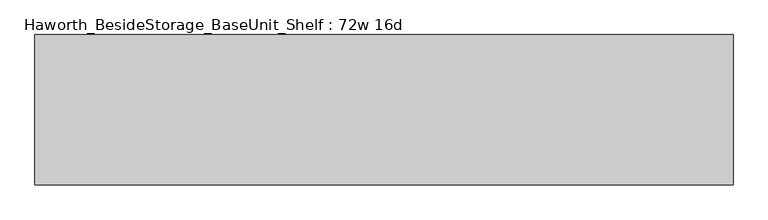
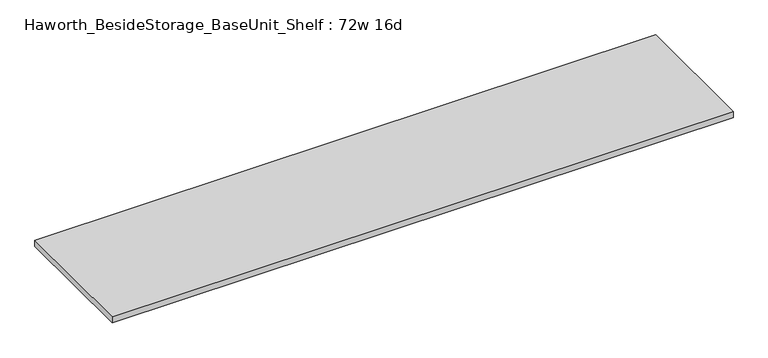
"""IFC4 building model written with IfcOpenShell, lengths in millimetres: furniture geometry, Haworth_BesideStorage_BaseUnit_Shelf : 72w 16d."""

from ifc_helpers import new_model, si_unit, frame, origin, place, context, project, spatial, polyline, outline, extrude, source, transform, mapped, element, save


def haworth_besidestorage_baseunit_shelf_72w_16d_9d18fff9(model_context):
    return source(origin(), model_context, "Body", "SweptSolid", [
        extrude(outline(polyline([(914.4, 196.85), (914.4, -196.85), (-914.4, -196.85), (-914.4, 196.85), (914.4, 196.85)])), frame((0.0, 0.0, 277.8125), z_axis=(0.0, 0.0, 1.0), x_axis=(1.0, 0.0, 0.0)), (0.0, 0.0, 1.0), 19.05),
    ])


if __name__ == "__main__":
    model = new_model("IFC4")
    model_context = context("Model", 3, world=origin())
    ifc_project = project(units=[si_unit("LENGTHUNIT", "METRE", prefix="MILLI")], contexts=[model_context])
    site = spatial("IfcSite", under=ifc_project)
    building = spatial("IfcBuilding", under=site)
    placement = place(None, origin())
    haworth_besidestorage_baseunit_shelf_72w_16d_shape = haworth_besidestorage_baseunit_shelf_72w_16d_9d18fff9(model_context)
    element("IfcFurniture", 1, ObjectType="Haworth_BesideStorage_BaseUnit_Shelf : 72w 16d", at=placement, inside=building, context=model_context, shape_type="MappedRepresentation", body=[
        mapped(haworth_besidestorage_baseunit_shelf_72w_16d_shape, transform((0.0, 0.0, 0.0), x_axis=(1.0, 0.0, 0.0), y_axis=(0.0, 1.0, 0.0), z_axis=(0.0, 0.0, 1.0))),
    ])
    save(model, "model.ifc")
